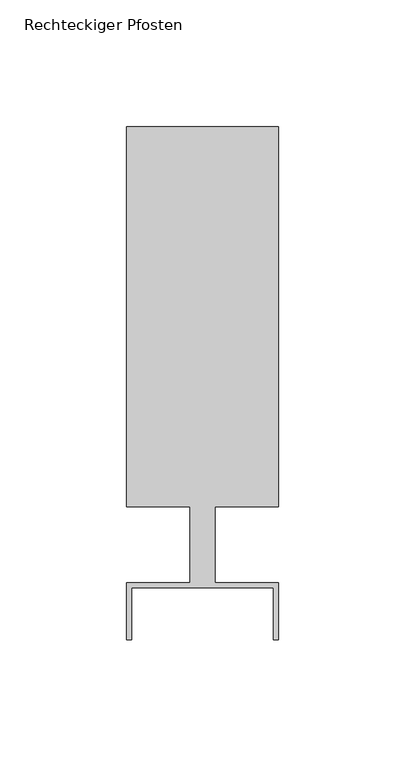
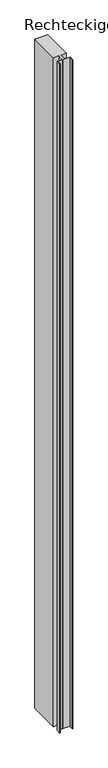
"""IFC4 building model written with IfcOpenShell, lengths in millimetres: member geometry, Rechteckiger Pfosten."""

from ifc_helpers import new_model, si_unit, frame, origin, place, context, project, spatial, polyline, outline, extrude, source, transform, mapped, element, save


def rechteckiger_pfosten_63edd069(model_context):
    return source(origin(), model_context, "Body", "SweptSolid", [
        extrude(outline(polyline([(28.0, -37.5), (28.0, -17.0), (-28.0, -17.0), (-28.0, -37.5), (-30.0, -37.5), (-30.0, -15.0), (-5.0, -15.0), (-5.0, 15.0), (-30.0, 15.0), (-30.0, 165.0), (30.0, 165.0), (30.0, 15.0), (5.0, 15.0), (5.0, -15.0), (30.0, -15.0), (30.0, -37.5), (28.0, -37.5)])), frame((0.0, 0.0, -3300.0), z_axis=(0.0, 0.0, 1.0), x_axis=(1.0, 0.0, 0.0)), (0.0, 0.0, 1.0), 3300.0),
    ])


if __name__ == "__main__":
    model = new_model("IFC4")
    model_context = context("Model", 3, world=origin())
    ifc_project = project(units=[si_unit("LENGTHUNIT", "METRE", prefix="MILLI")], contexts=[model_context])
    site = spatial("IfcSite", under=ifc_project)
    building = spatial("IfcBuilding", under=site)
    placement = place(None, origin())
    rechteckiger_pfosten_shape = rechteckiger_pfosten_63edd069(model_context)
    element("IfcMember", 1, ObjectType="Rechteckiger Pfosten", at=placement, inside=building, context=model_context, shape_type="MappedRepresentation", body=[
        mapped(rechteckiger_pfosten_shape, transform((0.0, 0.0, 0.0), x_axis=(1.0, 0.0, 0.0), y_axis=(0.0, 1.0, 0.0), z_axis=(0.0, 0.0, 1.0))),
    ])
    save(model, "model.ifc")
